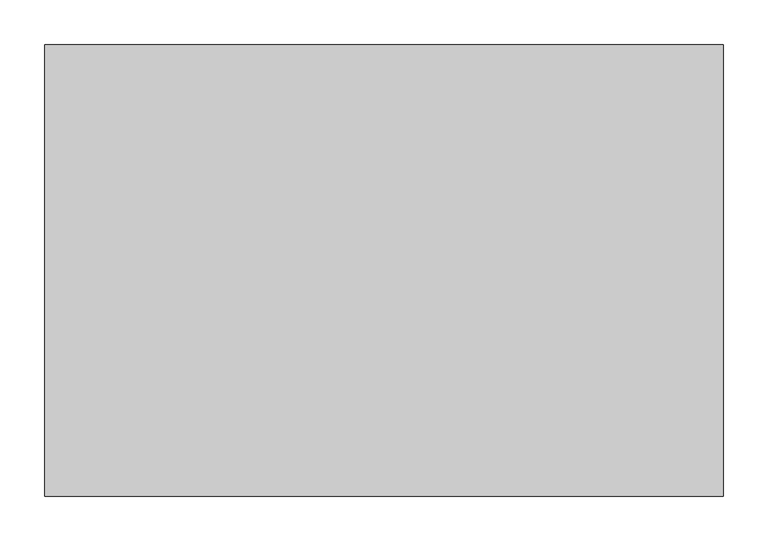
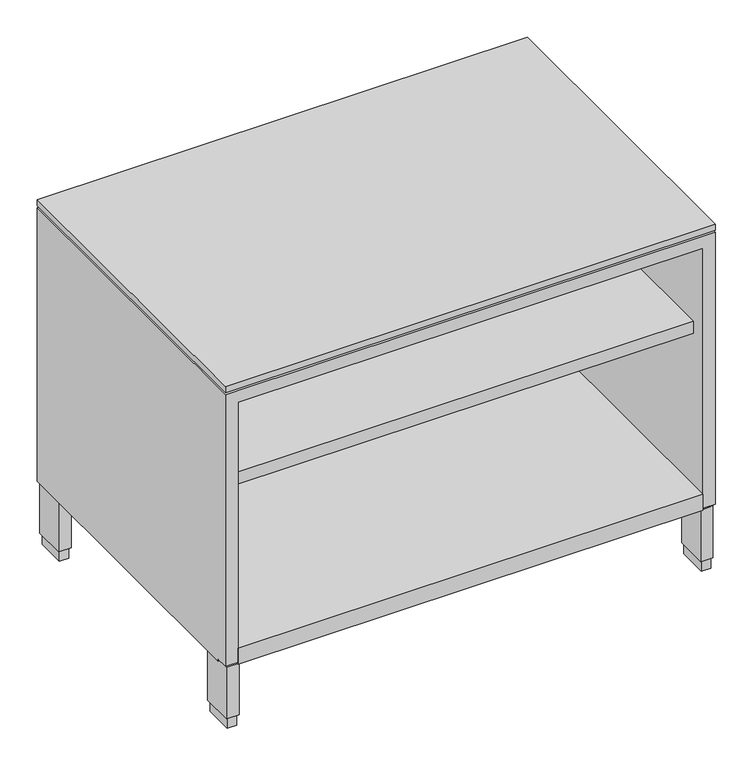
"""IFC4 building model written with IfcOpenShell, lengths in millimetres: furniture geometry."""

import ifcopenshell
import ifcopenshell.guid

model = None  # the IFC model being written
_history = None  # IfcOwnerHistory: only IFC2X3 demands one
_inside = {}  # id of a spatial element -> (the spatial element, [elements in it])
_under = {}  # id of a project, library or spatial element -> (it, [spatial elements below it])
_declared = {}  # id of a project -> (the project, [libraries it declares])
_typed = {}  # id of a type object -> (the type object, [elements of that type])
_made_of = {}  # id of a material, layer set ... -> (it, [elements and type objects made of it])


def new_model(schema):
    """Start an empty IFC model of exactly this schema.

    Asked for "IFC4X3", IfcOpenShell would pick the latest addendum, in which some entities
    have other attributes; the version numbers below select the first issue.
    IFC2X3 requires an IfcOwnerHistory on every rooted entity: one is made here for all.
    """
    global model, _history
    if schema == "IFC4X3":
        model = ifcopenshell.file(schema_version=(4, 3, 0, 0))
    else:
        model = ifcopenshell.file(schema=schema)
    _inside.clear()
    _under.clear()
    _declared.clear()
    _typed.clear()
    _made_of.clear()
    _history = None
    if model.schema == "IFC2X3":
        org = make("IfcOrganization", Name="unknown")
        user = make(
            "IfcPersonAndOrganization",
            ThePerson=make("IfcPerson", FamilyName="unknown"),
            TheOrganization=org,
        )
        app = make(
            "IfcApplication",
            ApplicationDeveloper=org,
            Version="unknown",
            ApplicationFullName="unknown",
            ApplicationIdentifier="unknown",
        )
        _history = make(
            "IfcOwnerHistory",
            OwningUser=user,
            OwningApplication=app,
            ChangeAction="ADDED",
            CreationDate=0,
        )
    return model


def make(cls, **values):
    """One entity of the class cls with the attributes given. An attribute that is None is left unset."""
    return model.create_entity(
        cls, **{name: value for name, value in values.items() if value is not None}
    )


def rooted(cls, **values):
    """An entity with a GlobalId (a new one), such as an element, a storey or a relation."""
    return make(cls, GlobalId=ifcopenshell.guid.new(), OwnerHistory=_history, **values)


def si_unit(unit_type, name, prefix=None):
    """IfcSIUnit, for example si_unit("LENGTHUNIT", "METRE", prefix="MILLI")."""
    return make("IfcSIUnit", UnitType=unit_type, Prefix=prefix, Name=name)


def assignment(units):
    """IfcUnitAssignment: the units of a project."""
    return None if units is None else make("IfcUnitAssignment", Units=units)


def point(xyz):
    """IfcCartesianPoint."""
    return None if xyz is None else make("IfcCartesianPoint", Coordinates=xyz)


def direction(xyz):
    """IfcDirection."""
    return None if xyz is None else make("IfcDirection", DirectionRatios=xyz)


def frame(location, z_axis=None, x_axis=None):
    """IfcAxis2Placement3D, a coordinate frame: its origin and axes. An axis left out is left unset."""
    return make(
        "IfcAxis2Placement3D",
        Location=point(location),
        Axis=direction(z_axis),
        RefDirection=direction(x_axis),
    )


def origin():
    """The frame at (0, 0, 0) with its axes left unset."""
    return frame((0.0, 0.0, 0.0))


def origin_with_axes():
    """The frame at (0, 0, 0) with the z axis (0, 0, 1) and the x axis (1, 0, 0) written out."""
    return frame((0.0, 0.0, 0.0), z_axis=(0.0, 0.0, 1.0), x_axis=(1.0, 0.0, 0.0))


def place(relative_to, where):
    """IfcLocalPlacement: puts the frame where relative to a parent placement (None: the world)."""
    return make(
        "IfcLocalPlacement", PlacementRelTo=relative_to, RelativePlacement=where
    )


def context(
    kind, dimensions, precision=None, world=None, true_north=None, identifier=None
):
    """IfcGeometricRepresentationContext, for example the 3D "Model" context."""
    return make(
        "IfcGeometricRepresentationContext",
        ContextIdentifier=identifier,
        ContextType=kind,
        CoordinateSpaceDimension=dimensions,
        Precision=precision,
        WorldCoordinateSystem=world,
        TrueNorth=true_north,
    )


def project(units=None, contexts=None):
    """IfcProject with its units and contexts."""
    return rooted(
        "IfcProject",
        Name="project",
        RepresentationContexts=contexts,
        UnitsInContext=assignment(units),
    )


def spatial(cls, under=None, at=None, **own):
    """A site, building, storey or space (cls), placed at a placement, below another one or the project."""
    s = rooted(cls, ObjectPlacement=at, **own)
    if under is not None:
        _under.setdefault(under.id(), (under, []))[1].append(s)
    return s


def polyline(points):
    """IfcPolyline through the points."""
    return make("IfcPolyline", Points=[point(p) for p in points])


def outline(outer, holes=None, kind="AREA"):
    """IfcArbitraryClosedProfileDef: a profile drawn as a closed curve; with holes, ...WithVoids."""
    if holes is None:
        return make("IfcArbitraryClosedProfileDef", ProfileType=kind, OuterCurve=outer)
    return make(
        "IfcArbitraryProfileDefWithVoids",
        ProfileType=kind,
        OuterCurve=outer,
        InnerCurves=holes,
    )


def extrude(swept, where, along, depth):
    """IfcExtrudedAreaSolid: the profile swept, set in the frame where, extruded along a direction by depth."""
    return make(
        "IfcExtrudedAreaSolid",
        SweptArea=swept,
        Position=where,
        ExtrudedDirection=direction(along),
        Depth=depth,
    )


def faces_of(points, faces, orient=None, outer=None):
    """IfcFace entities. A face is a list of loops; a loop is a list of indices into points, from 0.

    orient and outer hold one flag for each loop. By default every Orientation is true, the
    first loop of a face is its IfcFaceOuterBound and the others are IfcFaceBound.
    """
    made = []
    for i, loops in enumerate(faces):
        bounds = []
        for j, loop in enumerate(loops):
            is_outer = j == 0 if outer is None else outer[i][j]
            bounds.append(
                make(
                    "IfcFaceOuterBound" if is_outer else "IfcFaceBound",
                    Bound=make("IfcPolyLoop", Polygon=[points[k] for k in loop]),
                    Orientation=True if orient is None else orient[i][j],
                )
            )
        made.append(make("IfcFace", Bounds=bounds))
    return made


def faceted_brep(points, faces, orient=None, outer=None, voids=None):
    """IfcFacetedBrep: a solid bounded by flat faces; with voids (closed shells), ...WithVoids."""
    shared = [point(p) for p in points]
    hull = make("IfcClosedShell", CfsFaces=faces_of(shared, faces, orient, outer))
    if voids is None:
        return make("IfcFacetedBrep", Outer=hull)
    return make(
        "IfcFacetedBrepWithVoids",
        Outer=hull,
        Voids=[
            make(cls, CfsFaces=faces_of(shared, fs, o, b)) for cls, fs, o, b in voids
        ],
    )


def shape(context_of_items, identifier, shape_type, items):
    """IfcShapeRepresentation: the items that make up one representation, for example the "Body"."""
    return make(
        "IfcShapeRepresentation",
        ContextOfItems=context_of_items,
        RepresentationIdentifier=identifier,
        RepresentationType=shape_type,
        Items=items,
    )


def source(mapping_origin, context_of_items, identifier, shape_type, items):
    """IfcRepresentationMap: a shape defined once, which mapped items show again and again."""
    return make(
        "IfcRepresentationMap",
        MappingOrigin=mapping_origin,
        MappedRepresentation=shape(context_of_items, identifier, shape_type, items),
    )


def transform(
    local_origin,
    x_axis=None,
    y_axis=None,
    z_axis=None,
    scale=None,
    scale2=None,
    scale3=None,
    uniform=True,
):
    """IfcCartesianTransformationOperator3D, or its non-uniform kind. x_axis, y_axis, z_axis: its Axis1, 2, 3."""
    if uniform:
        return make(
            "IfcCartesianTransformationOperator3D",
            Axis1=direction(x_axis),
            Axis2=direction(y_axis),
            LocalOrigin=point(local_origin),
            Scale=scale,
            Axis3=direction(z_axis),
        )
    return make(
        "IfcCartesianTransformationOperator3DnonUniform",
        Axis1=direction(x_axis),
        Axis2=direction(y_axis),
        LocalOrigin=point(local_origin),
        Scale=scale,
        Axis3=direction(z_axis),
        Scale2=scale2,
        Scale3=scale3,
    )


def mapped(mapping_source, mapping_target):
    """IfcMappedItem: shows the shape of a source again, moved by a transform."""
    return make(
        "IfcMappedItem", MappingSource=mapping_source, MappingTarget=mapping_target
    )


def made_of(thing, what):
    """Note that an element or type object is made of a material, layer set ...; save() writes the relation."""
    if what is not None:
        _made_of.setdefault(what.id(), (what, []))[1].append(thing)
    return thing


def element(
    cls,
    number,
    at=None,
    inside=None,
    cuts=None,
    type_object=None,
    material=None,
    context=None,
    identifier="Body",
    shape_type=None,
    held_by="IfcProductDefinitionShape",
    body=None,
    shapes=None,
    **own,
):
    """One element of the class cls, such as IfcWall. Its Tag is "e" and its number.

    at: its placement. inside: the storey or other place that contains it. cuts: it is an
    opening in that element (IfcRelVoidsElement). A single representation is given by context,
    identifier, shape_type and body (its items); several are given by shapes. held_by: the class
    of the entity that holds the representations. save() writes the other relations.
    """
    e = rooted(cls, Tag="e%d" % number, ObjectPlacement=at, **own)
    if body is not None:
        shapes = [shape(context, identifier, shape_type, body)]
    if shapes is not None:
        e.Representation = make(held_by, Representations=shapes)
    if inside is not None:
        _inside.setdefault(inside.id(), (inside, []))[1].append(e)
    if cuts is not None:
        rooted(
            "IfcRelVoidsElement", RelatingBuildingElement=cuts, RelatedOpeningElement=e
        )
    if type_object is not None:
        _typed.setdefault(type_object.id(), (type_object, []))[1].append(e)
    return made_of(e, material)


def aggregate(whole, parts):
    """IfcRelAggregates: a whole, such as a stair, and the parts it consists of."""
    return rooted("IfcRelAggregates", RelatingObject=whole, RelatedObjects=parts)


def save(model, path):
    """Write the relations noted so far, then the file.

    IfcRelAggregates (storeys below a building ...), IfcRelContainedInSpatialStructure (elements
    in a storey), IfcRelDefinesByType, IfcRelAssociatesMaterial and IfcRelDeclares: one each for
    every whole, place, type object, material and project.
    """
    for whole, parts in _under.values():
        aggregate(whole, parts)
    for where, things in _inside.values():
        rooted(
            "IfcRelContainedInSpatialStructure",
            RelatedElements=things,
            RelatingStructure=where,
        )
    for kind, things in _typed.values():
        rooted("IfcRelDefinesByType", RelatedObjects=things, RelatingType=kind)
    for what, things in _made_of.values():
        rooted("IfcRelAssociatesMaterial", RelatedObjects=things, RelatingMaterial=what)
    for by, libraries in _declared.values():
        rooted("IfcRelDeclares", RelatingContext=by, RelatedDefinitions=libraries)
    model.write(path)


def furniture_00f241cc(model_context):
    return source(origin(), model_context, "Body", "SolidModel", [
        extrude(outline(polyline([(741.1085, -20.828), (741.1085, -506.349), (20.8915, -506.349), (20.8915, -20.828), (741.1085, -20.828)])), frame((0.0, 0.0, 102.108), z_axis=(0.0, 0.0, 1.0), x_axis=(1.0, 0.0, 0.0)), (0.0, 0.0, 1.0), 25.9199713),
        extrude(outline(polyline([(21.2979, -5.715), (21.2979, -52.197), (6.5659, -52.197), (6.5659, -5.715), (21.2979, -5.715)])), origin_with_axes(), (0.0, 0.0, 1.0), 17.399),
        extrude(outline(polyline([(755.4341, -5.715), (755.4341, -52.197), (740.7021, -52.197), (740.7021, -5.715), (755.4341, -5.715)])), origin_with_axes(), (0.0, 0.0, 1.0), 17.399),
        extrude(outline(polyline([(755.4341, -456.057), (755.4341, -502.539), (740.7021, -502.539), (740.7021, -456.057), (755.4341, -456.057)])), origin_with_axes(), (0.0, 0.0, 1.0), 17.399),
        extrude(outline(polyline([(21.2979, -456.057), (21.2979, -502.539), (6.5659, -502.539), (6.5659, -456.057), (21.2979, -456.057)])), origin_with_axes(), (0.0, 0.0, 1.0), 17.399),
        extrude(outline(polyline([(23.4569, -3.556), (23.4569, -54.356), (4.4069, -54.356), (4.4069, -3.556), (23.4569, -3.556)])), frame((0.0, 0.0, 17.399), z_axis=(0.0, 0.0, 1.0), x_axis=(1.0, 0.0, 0.0)), (0.0, 0.0, 1.0), 84.709),
        extrude(outline(polyline([(757.5931, -3.556), (757.5931, -54.356), (738.5431, -54.356), (738.5431, -3.556), (757.5931, -3.556)])), frame((0.0, 0.0, 17.399), z_axis=(0.0, 0.0, 1.0), x_axis=(1.0, 0.0, 0.0)), (0.0, 0.0, 1.0), 84.709),
        extrude(outline(polyline([(757.5931, -453.898), (757.5931, -504.698), (738.5431, -504.698), (738.5431, -453.898), (757.5931, -453.898)])), frame((0.0, 0.0, 17.399), z_axis=(0.0, 0.0, 1.0), x_axis=(1.0, 0.0, 0.0)), (0.0, 0.0, 1.0), 84.709),
        extrude(outline(polyline([(23.4569, -453.898), (23.4569, -504.698), (4.4069, -504.698), (4.4069, -453.898), (23.4569, -453.898)])), frame((0.0, 0.0, 17.399), z_axis=(0.0, 0.0, 1.0), x_axis=(1.0, 0.0, 0.0)), (0.0, 0.0, 1.0), 84.709),
        extrude(outline(polyline([(760.4125, -506.349), (1.5875, -506.349), (1.5875, -1.524), (760.4125, -1.524), (760.4125, -506.349)])), frame((0.0, 0.0, 553.212), z_axis=(0.0, 0.0, 1.0), x_axis=(1.0, 0.0, 0.0)), (0.0, 0.0, 1.0), 9.779),
        extrude(outline(polyline([(741.1085, -480.695), (20.8915, -480.695), (20.8915, -20.828), (741.1085, -20.828), (741.1085, -480.695)])), frame((0.0, 0.0, 376.3772), z_axis=(0.0, 0.0, 1.0), x_axis=(1.0, 0.0, 0.0)), (0.0, 0.0, 1.0), 19.304),
        faceted_brep([(760.4125, -506.349, 550.037), (1.5875, -506.349, 550.037), (1.5875, -506.349, 105.283), (20.8915, -506.349, 105.283), (20.8915, -506.349, 530.733), (741.1085, -506.349, 530.733), (741.1085, -506.349, 105.283), (760.4125, -506.349, 105.283), (760.4125, -1.524, 550.037), (760.4125, -1.524, 102.108), (1.5875, -1.524, 102.108), (1.5875, -1.524, 550.037), (1.5875, -487.045, 102.108), (1.5875, -487.045, 105.283), (760.4125, -487.045, 105.283), (760.4125, -487.045, 102.108), (741.1085, -20.828, 530.733), (20.8915, -20.828, 530.733), (20.8915, -20.828, 102.108), (741.1085, -20.828, 102.108), (20.8915, -487.045, 105.283), (20.8915, -487.045, 102.108), (741.1085, -487.045, 102.108), (741.1085, -487.045, 105.283)], [[[0, 1, 2, 3, 4, 5, 6, 7]], [[8, 9, 10, 11]], [[1, 0, 8, 11]], [[11, 10, 12, 13, 2, 1]], [[9, 8, 0, 7, 14, 15]], [[16, 17, 18, 19]], [[17, 16, 5, 4]], [[18, 17, 4, 3, 20, 21]], [[16, 19, 22, 23, 6, 5]], [[10, 9, 15, 22, 19, 18, 21, 12]], [[20, 13, 12, 21]], [[14, 23, 22, 15]], [[13, 20, 3, 2]], [[23, 14, 7, 6]]]),
    ])


if __name__ == "__main__":
    model = new_model("IFC4")
    model_context = context("Model", 3, world=origin())
    ifc_project = project(units=[si_unit("LENGTHUNIT", "METRE", prefix="MILLI")], contexts=[model_context])
    site = spatial("IfcSite", under=ifc_project)
    building = spatial("IfcBuilding", under=site)
    placement = place(None, origin())
    furniture_shape = furniture_00f241cc(model_context)
    element("IfcFurniture", 1, at=placement, inside=building, context=model_context, shape_type="MappedRepresentation", body=[
        mapped(furniture_shape, transform((0.0, 0.0, 0.0), x_axis=(1.0, 0.0, 0.0), y_axis=(0.0, 1.0, 0.0), z_axis=(0.0, 0.0, 1.0))),
    ])
    save(model, "model.ifc")
